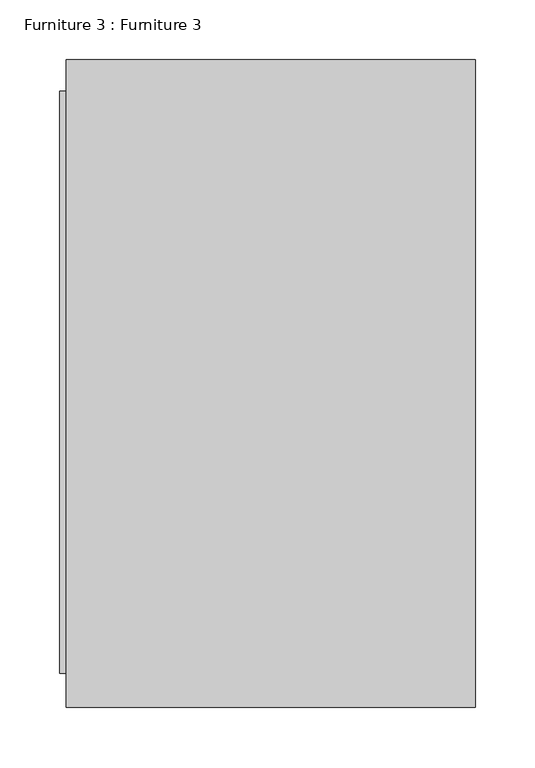
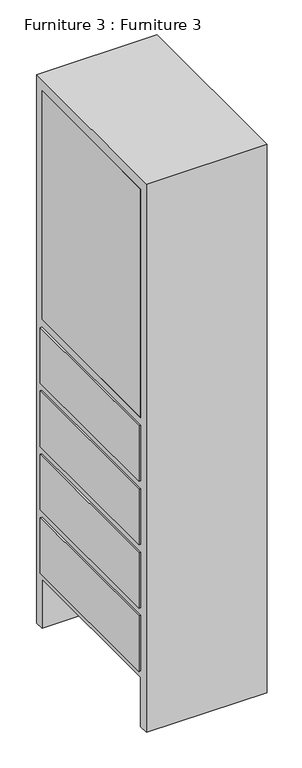
"""IFC4 building model written with IfcOpenShell, lengths in millimetres: furniture geometry, Furniture 3 : Furniture 3."""

from ifc_helpers import new_model, si_unit, frame, origin, place, context, project, spatial, polyline, outline, extrude, faceted_brep, source, transform, mapped, element, save


def furniture_3_furniture_3_0a408de3(model_context):
    return source(origin(), model_context, "Body", "SolidModel", [
        extrude(outline(polyline([(1567.9612424, -1640.5929607), (1567.9612424, -1153.5509628), (1876.3846311, -1153.5509628), (1876.3846311, -1640.5929607), (1567.9612424, -1640.5929607)])), frame((0.0, 0.0, 1386.8059555), z_axis=(0.0, 0.0, 1.0), x_axis=(1.0, 0.0, 0.0)), (0.0, 0.0, 1.0), 26.0677021),
        extrude(outline(polyline([(1567.9612424, -1640.5929607), (1567.9612424, -1153.5509628), (1876.3846311, -1153.5509628), (1876.3846311, -1640.5929607), (1567.9612424, -1640.5929607)])), frame((0.0, 0.0, 1107.4059555), z_axis=(0.0, 0.0, 1.0), x_axis=(1.0, 0.0, 0.0)), (0.0, 0.0, 1.0), 26.0677021),
        extrude(outline(polyline([(1533.8355463, -1640.5929607), (1533.8355463, -1153.5509628), (1550.722242, -1153.5509628), (1550.722242, -1640.5929607), (1533.8355463, -1640.5929607)])), frame((0.0, 0.0, 929.0), z_axis=(0.0, 0.0, 1.0), x_axis=(1.0, 0.0, 0.0)), (0.0, 0.0, 1.0), 686.4275799),
        extrude(outline(polyline([(1528.6261976, -1640.5929607), (1528.6261976, -1153.5509628), (1533.8355463, -1153.5509628), (1533.8355463, -1640.5929607), (1528.6261976, -1640.5929607)])), frame((0.0, 0.0, 739.1), z_axis=(0.0, 0.0, 1.0), x_axis=(1.0, 0.0, 0.0)), (0.0, 0.0, 1.0), 166.9),
        extrude(outline(polyline([(1528.6261976, -1640.5929607), (1528.6261976, -1153.5509628), (1533.8355463, -1153.5509628), (1533.8355463, -1640.5929607), (1528.6261976, -1640.5929607)])), frame((0.0, 0.0, 548.6), z_axis=(0.0, 0.0, 1.0), x_axis=(1.0, 0.0, 0.0)), (0.0, 0.0, 1.0), 166.9),
        extrude(outline(polyline([(1528.6261976, -1640.5929607), (1528.6261976, -1153.5509628), (1533.8355463, -1153.5509628), (1533.8355463, -1640.5929607), (1528.6261976, -1640.5929607)])), frame((0.0, 0.0, 358.1), z_axis=(0.0, 0.0, 1.0), x_axis=(1.0, 0.0, 0.0)), (0.0, 0.0, 1.0), 166.9),
        extrude(outline(polyline([(1528.6261976, -1640.5929607), (1528.6261976, -1153.5509628), (1533.8355463, -1153.5509628), (1533.8355463, -1640.5929607), (1528.6261976, -1640.5929607)])), frame((0.0, 0.0, 167.6), z_axis=(0.0, 0.0, 1.0), x_axis=(1.0, 0.0, 0.0)), (0.0, 0.0, 1.0), 166.9),
        faceted_brep([(1533.8355463, -1127.3866967, 1648.1954804), (1533.8355463, -1669.4610442, 1648.1954804), (1876.3846311, -1669.4610442, 1648.1954804), (1876.3846311, -1127.3866967, 1648.1954804), (1533.8355463, -1127.3866967, 0.0), (1876.3846311, -1127.3866967, 0.0), (1876.3846311, -1669.4610442, 0.0), (1533.8355463, -1669.4610442, 0.0), (1533.8355463, -1640.5929607, 0.0), (1838.6355463, -1640.5929607, 0.0), (1838.6355463, -1153.5509628, 0.0), (1533.8355463, -1153.5509628, 0.0), (1533.8355463, -1153.5509628, 148.1498509), (1533.8355463, -1640.5929607, 148.1498509), (1533.8355463, -1640.5929607, 1615.4275799), (1533.8355463, -1640.5929607, 929.0), (1533.8355463, -1153.5509628, 929.0), (1533.8355463, -1153.5509628, 1615.4275799), (1855.8901484, -1640.5929607, 1615.4275799), (1855.8901484, -1153.5509628, 1615.4275799), (1855.8901484, -1153.5509628, 929.0), (1855.8901484, -1640.5929607, 929.0), (1838.6355463, -1640.5929607, 148.1498509), (1838.6355463, -1153.5509628, 148.1498509)], [[[0, 1, 2, 3]], [[4, 5, 6, 7, 8, 9, 10, 11]], [[1, 0, 4, 11, 12, 13, 8, 7], [14, 15, 16, 17]], [[2, 1, 7, 6]], [[3, 2, 6, 5]], [[0, 3, 5, 4]], [[18, 19, 20, 21]], [[18, 21, 15, 14]], [[21, 20, 16, 15]], [[20, 19, 17, 16]], [[19, 18, 14, 17]], [[22, 23, 10, 9]], [[22, 9, 8, 13]], [[10, 23, 12, 11]], [[23, 22, 13, 12]]]),
    ])


if __name__ == "__main__":
    model = new_model("IFC4")
    model_context = context("Model", 3, world=origin())
    ifc_project = project(units=[si_unit("LENGTHUNIT", "METRE", prefix="MILLI")], contexts=[model_context])
    site = spatial("IfcSite", under=ifc_project)
    building = spatial("IfcBuilding", under=site)
    placement = place(None, origin())
    furniture_3_furniture_3_shape = furniture_3_furniture_3_0a408de3(model_context)
    element("IfcFurniture", 1, ObjectType="Furniture 3 : Furniture 3", at=placement, inside=building, context=model_context, shape_type="MappedRepresentation", body=[
        mapped(furniture_3_furniture_3_shape, transform((0.0, 0.0, 0.0), x_axis=(1.0, 0.0, 0.0), y_axis=(0.0, 1.0, 0.0), z_axis=(0.0, 0.0, 1.0))),
    ])
    save(model, "model.ifc")
